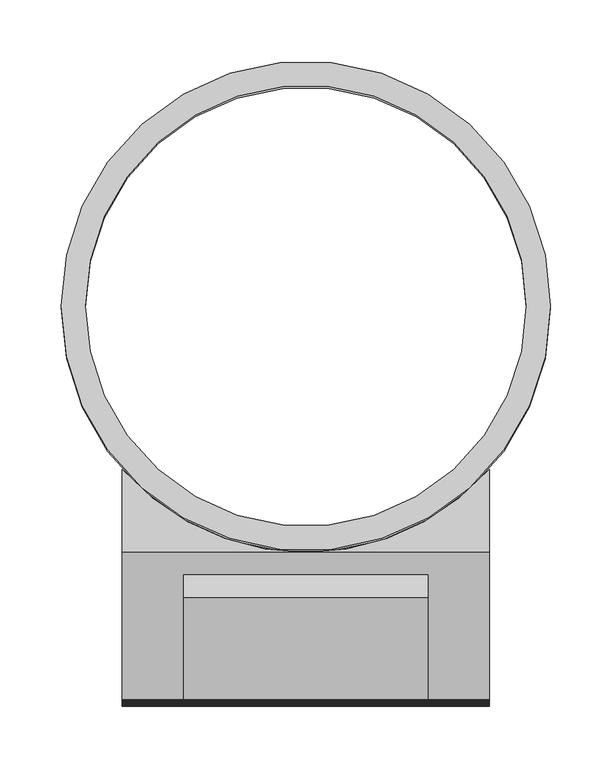
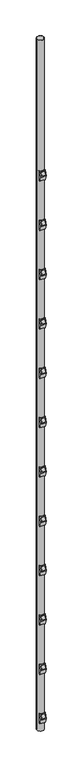
"""IFC4 building model written with IfcOpenShell, lengths in millimetres: proxy geometry."""

from ifc_helpers import new_model, si_unit, point, frame, origin, origin_with_axes, origin_2d, place, context, project, spatial, polyline, circle_curve, trimmed, segment, composite_curve, outline, extrude, source, transform, mapped, element, save
from ifc_brep_helpers import plane_surface, revolved_surface, advanced_brep


def generic_models_42e828d2(model_context):
    return source(origin(), model_context, "Body", "SolidModel", [
        extrude(outline(polyline([(0.0, -200.0), (0.0, 0.0), (20.0, 0.0), (20.0, -200.0), (0.0, -200.0)])), frame((-100.0, -320.0, 30817.1915048), z_axis=(0.0, 0.37139067635410145, 0.9284766908852603), x_axis=(0.0, 0.9284766908852603, -0.37139067635410145)), (0.0, 0.0, 1.0), 223.1098884),
        advanced_brep(
        [(150.0, -200.0, 31063.3398567), (150.0, -320.0, 30763.3398567), (150.0, -200.0, 30463.3398567), (150.0, -132.2875656, 30463.3398567), (150.0, -132.2875656, 31063.3398567), (-150.0, -200.0, 30463.3398567), (-150.0, -320.0, 30763.3398567), (-150.0, -200.0, 31063.3398567), (-150.0, -132.2875656, 31063.3398567), (-150.0, -132.2875656, 30463.3398567), (0.0, -200.0, 31063.3398567), (0.0, -200.0, 30463.3398567)],
        [
            (0, 1),
            (1, 2),
            (2, 3),
            (3, 4),
            (4, 0),
            (5, 6),
            (6, 7),
            (7, 8),
            (8, 9),
            (9, 5),
            (0, 10),
            (10, 7),
            (6, 1),
            (5, 11),
            (11, 2),
            (11, 3, circle_curve(frame((0.0, 0.0, 30463.3398567), z_axis=(0.0, 0.0, 1.0), x_axis=(0.0, -1.0, 0.0)), 200.0)),
            (9, 11, circle_curve(frame((0.0, 0.0, 30463.3398567), z_axis=(0.0, 0.0, 1.0), x_axis=(0.0, -1.0, 0.0)), 200.0)),
            (4, 10, circle_curve(frame((0.0, 0.0, 31063.3398567), z_axis=(0.0, 0.0, -1.0), x_axis=(0.0, -1.0, 0.0)), 200.0)),
            (10, 8, circle_curve(frame((0.0, 0.0, 31063.3398567), z_axis=(0.0, 0.0, -1.0), x_axis=(0.0, -1.0, 0.0)), 200.0)),
        ],
        [
            plane_surface(frame((150.0, -320.0, 30763.3398567), z_axis=(1.0, 0.0, 0.0), x_axis=(0.0, -0.3713906763541027, -0.9284766908852597))),
            plane_surface(frame((-150.0, -320.0, 30763.3398567), z_axis=(-1.0, 0.0, 0.0), x_axis=(0.0, 0.3713906763541027, 0.9284766908852597))),
            plane_surface(frame((150.0, -200.0, 31063.3398567), z_axis=(0.0, -0.9284766908852597, 0.3713906763541027), x_axis=(-1.0, 0.0, 0.0))),
            plane_surface(frame((150.0, -320.0, 30763.3398567), z_axis=(0.0, -0.9284766908852592, -0.3713906763541045), x_axis=(-1.0, 0.0, 0.0))),
            plane_surface(frame((150.0, -200.0, 30463.3398567), z_axis=(0.0, 0.0, -1.0), x_axis=(-1.0, 0.0, 0.0))),
            plane_surface(frame((150.0, 0.0, 31063.3398567), z_axis=(0.0, 0.0, 1.0), x_axis=(-1.0, 0.0, 0.0))),
            revolved_surface(polyline([(0.0, -200.0, 30463.3398567), (0.0, -200.0, 31063.3398567)]), (0.0, 0.0, 31063.3398567), (0.0, 0.0, -1.0)),
        ],
        [
            (0, [[1, 2, 3, 4, 5]]),
            (1, [[6, 7, 8, 9, 10]]),
            (2, [[-1, 11, 12, -7, 13]]),
            (3, [[-2, -13, -6, 14, 15]]),
            (4, [[-3, -15, 16]]),
            (4, [[-10, 17, -14]]),
            (5, [[-5, 18, -11]]),
            (5, [[-8, -12, 19]]),
            (6, [[-4, -16, -17, -9, -19, -18]]),
        ],
    ),
        extrude(outline(polyline([(0.0, -200.0), (0.0, 0.0), (20.0, 0.0), (20.0, -200.0), (0.0, -200.0)])), frame((-100.0, -320.0, 27817.1915048), z_axis=(0.0, 0.37139067635410145, 0.9284766908852603), x_axis=(0.0, 0.9284766908852603, -0.37139067635410145)), (0.0, 0.0, 1.0), 223.1098884),
        advanced_brep(
        [(150.0, -200.0, 28063.3398567), (150.0, -320.0, 27763.3398567), (150.0, -200.0, 27463.3398567), (150.0, -132.2875656, 27463.3398567), (150.0, -132.2875656, 28063.3398567), (-150.0, -200.0, 27463.3398567), (-150.0, -320.0, 27763.3398567), (-150.0, -200.0, 28063.3398567), (-150.0, -132.2875656, 28063.3398567), (-150.0, -132.2875656, 27463.3398567), (0.0, -200.0, 28063.3398567), (0.0, -200.0, 27463.3398567)],
        [
            (0, 1),
            (1, 2),
            (2, 3),
            (3, 4),
            (4, 0),
            (5, 6),
            (6, 7),
            (7, 8),
            (8, 9),
            (9, 5),
            (0, 10),
            (10, 7),
            (6, 1),
            (5, 11),
            (11, 2),
            (11, 3, circle_curve(frame((0.0, 0.0, 27463.3398567), z_axis=(0.0, 0.0, 1.0), x_axis=(0.0, -1.0, 0.0)), 200.0)),
            (9, 11, circle_curve(frame((0.0, 0.0, 27463.3398567), z_axis=(0.0, 0.0, 1.0), x_axis=(0.0, -1.0, 0.0)), 200.0)),
            (4, 10, circle_curve(frame((0.0, 0.0, 28063.3398567), z_axis=(0.0, 0.0, -1.0), x_axis=(0.0, -1.0, 0.0)), 200.0)),
            (10, 8, circle_curve(frame((0.0, 0.0, 28063.3398567), z_axis=(0.0, 0.0, -1.0), x_axis=(0.0, -1.0, 0.0)), 200.0)),
        ],
        [
            plane_surface(frame((150.0, -320.0, 27763.3398567), z_axis=(1.0, 0.0, 0.0), x_axis=(0.0, -0.3713906763541027, -0.9284766908852597))),
            plane_surface(frame((-150.0, -320.0, 27763.3398567), z_axis=(-1.0, 0.0, 0.0), x_axis=(0.0, 0.3713906763541027, 0.9284766908852597))),
            plane_surface(frame((150.0, -200.0, 28063.3398567), z_axis=(0.0, -0.9284766908852597, 0.3713906763541027), x_axis=(-1.0, 0.0, 0.0))),
            plane_surface(frame((150.0, -320.0, 27763.3398567), z_axis=(0.0, -0.9284766908852592, -0.3713906763541045), x_axis=(-1.0, 0.0, 0.0))),
            plane_surface(frame((150.0, -200.0, 27463.3398567), z_axis=(0.0, 0.0, -1.0), x_axis=(-1.0, 0.0, 0.0))),
            plane_surface(frame((150.0, 0.0, 28063.3398567), z_axis=(0.0, 0.0, 1.0), x_axis=(-1.0, 0.0, 0.0))),
            revolved_surface(polyline([(0.0, -200.0, 27463.3398567), (0.0, -200.0, 28063.3398567)]), (0.0, 0.0, 28063.3398567), (0.0, 0.0, -1.0)),
        ],
        [
            (0, [[1, 2, 3, 4, 5]]),
            (1, [[6, 7, 8, 9, 10]]),
            (2, [[-1, 11, 12, -7, 13]]),
            (3, [[-2, -13, -6, 14, 15]]),
            (4, [[-3, -15, 16]]),
            (4, [[-10, 17, -14]]),
            (5, [[-5, 18, -11]]),
            (5, [[-8, -12, 19]]),
            (6, [[-4, -16, -17, -9, -19, -18]]),
        ],
    ),
        extrude(outline(polyline([(0.0, -200.0), (0.0, 0.0), (20.0, 0.0), (20.0, -200.0), (0.0, -200.0)])), frame((-100.0, -320.0, 24817.1915048), z_axis=(0.0, 0.37139067635410145, 0.9284766908852603), x_axis=(0.0, 0.9284766908852603, -0.37139067635410145)), (0.0, 0.0, 1.0), 223.1098884),
        advanced_brep(
        [(150.0, -200.0, 25063.3398567), (150.0, -320.0, 24763.3398567), (150.0, -200.0, 24463.3398567), (150.0, -132.2875656, 24463.3398567), (150.0, -132.2875656, 25063.3398567), (-150.0, -200.0, 24463.3398567), (-150.0, -320.0, 24763.3398567), (-150.0, -200.0, 25063.3398567), (-150.0, -132.2875656, 25063.3398567), (-150.0, -132.2875656, 24463.3398567), (0.0, -200.0, 25063.3398567), (0.0, -200.0, 24463.3398567)],
        [
            (0, 1),
            (1, 2),
            (2, 3),
            (3, 4),
            (4, 0),
            (5, 6),
            (6, 7),
            (7, 8),
            (8, 9),
            (9, 5),
            (0, 10),
            (10, 7),
            (6, 1),
            (5, 11),
            (11, 2),
            (11, 3, circle_curve(frame((0.0, 0.0, 24463.3398567), z_axis=(0.0, 0.0, 1.0), x_axis=(0.0, -1.0, 0.0)), 200.0)),
            (9, 11, circle_curve(frame((0.0, 0.0, 24463.3398567), z_axis=(0.0, 0.0, 1.0), x_axis=(0.0, -1.0, 0.0)), 200.0)),
            (4, 10, circle_curve(frame((0.0, 0.0, 25063.3398567), z_axis=(0.0, 0.0, -1.0), x_axis=(0.0, -1.0, 0.0)), 200.0)),
            (10, 8, circle_curve(frame((0.0, 0.0, 25063.3398567), z_axis=(0.0, 0.0, -1.0), x_axis=(0.0, -1.0, 0.0)), 200.0)),
        ],
        [
            plane_surface(frame((150.0, -320.0, 24763.3398567), z_axis=(1.0, 0.0, 0.0), x_axis=(0.0, -0.3713906763541027, -0.9284766908852597))),
            plane_surface(frame((-150.0, -320.0, 24763.3398567), z_axis=(-1.0, 0.0, 0.0), x_axis=(0.0, 0.3713906763541027, 0.9284766908852597))),
            plane_surface(frame((150.0, -200.0, 25063.3398567), z_axis=(0.0, -0.9284766908852597, 0.3713906763541027), x_axis=(-1.0, 0.0, 0.0))),
            plane_surface(frame((150.0, -320.0, 24763.3398567), z_axis=(0.0, -0.9284766908852592, -0.3713906763541045), x_axis=(-1.0, 0.0, 0.0))),
            plane_surface(frame((150.0, -200.0, 24463.3398567), z_axis=(0.0, 0.0, -1.0), x_axis=(-1.0, 0.0, 0.0))),
            plane_surface(frame((150.0, 0.0, 25063.3398567), z_axis=(0.0, 0.0, 1.0), x_axis=(-1.0, 0.0, 0.0))),
            revolved_surface(polyline([(0.0, -200.0, 24463.3398567), (0.0, -200.0, 25063.3398567)]), (0.0, 0.0, 25063.3398567), (0.0, 0.0, -1.0)),
        ],
        [
            (0, [[1, 2, 3, 4, 5]]),
            (1, [[6, 7, 8, 9, 10]]),
            (2, [[-1, 11, 12, -7, 13]]),
            (3, [[-2, -13, -6, 14, 15]]),
            (4, [[-3, -15, 16]]),
            (4, [[-10, 17, -14]]),
            (5, [[-5, 18, -11]]),
            (5, [[-8, -12, 19]]),
            (6, [[-4, -16, -17, -9, -19, -18]]),
        ],
    ),
        extrude(outline(polyline([(0.0, -200.0), (0.0, 0.0), (20.0, 0.0), (20.0, -200.0), (0.0, -200.0)])), frame((-100.0, -320.0, 21817.1915048), z_axis=(0.0, 0.37139067635410145, 0.9284766908852603), x_axis=(0.0, 0.9284766908852603, -0.37139067635410145)), (0.0, 0.0, 1.0), 223.1098884),
        advanced_brep(
        [(150.0, -200.0, 22063.3398567), (150.0, -320.0, 21763.3398567), (150.0, -200.0, 21463.3398567), (150.0, -132.2875656, 21463.3398567), (150.0, -132.2875656, 22063.3398567), (-150.0, -200.0, 21463.3398567), (-150.0, -320.0, 21763.3398567), (-150.0, -200.0, 22063.3398567), (-150.0, -132.2875656, 22063.3398567), (-150.0, -132.2875656, 21463.3398567), (0.0, -200.0, 22063.3398567), (0.0, -200.0, 21463.3398567)],
        [
            (0, 1),
            (1, 2),
            (2, 3),
            (3, 4),
            (4, 0),
            (5, 6),
            (6, 7),
            (7, 8),
            (8, 9),
            (9, 5),
            (0, 10),
            (10, 7),
            (6, 1),
            (5, 11),
            (11, 2),
            (11, 3, circle_curve(frame((0.0, 0.0, 21463.3398567), z_axis=(0.0, 0.0, 1.0), x_axis=(0.0, -1.0, 0.0)), 200.0)),
            (9, 11, circle_curve(frame((0.0, 0.0, 21463.3398567), z_axis=(0.0, 0.0, 1.0), x_axis=(0.0, -1.0, 0.0)), 200.0)),
            (4, 10, circle_curve(frame((0.0, 0.0, 22063.3398567), z_axis=(0.0, 0.0, -1.0), x_axis=(0.0, -1.0, 0.0)), 200.0)),
            (10, 8, circle_curve(frame((0.0, 0.0, 22063.3398567), z_axis=(0.0, 0.0, -1.0), x_axis=(0.0, -1.0, 0.0)), 200.0)),
        ],
        [
            plane_surface(frame((150.0, -320.0, 21763.3398567), z_axis=(1.0, 0.0, 0.0), x_axis=(0.0, -0.3713906763541027, -0.9284766908852597))),
            plane_surface(frame((-150.0, -320.0, 21763.3398567), z_axis=(-1.0, 0.0, 0.0), x_axis=(0.0, 0.3713906763541027, 0.9284766908852597))),
            plane_surface(frame((150.0, -200.0, 22063.3398567), z_axis=(0.0, -0.9284766908852597, 0.3713906763541027), x_axis=(-1.0, 0.0, 0.0))),
            plane_surface(frame((150.0, -320.0, 21763.3398567), z_axis=(0.0, -0.9284766908852592, -0.3713906763541045), x_axis=(-1.0, 0.0, 0.0))),
            plane_surface(frame((150.0, -200.0, 21463.3398567), z_axis=(0.0, 0.0, -1.0), x_axis=(-1.0, 0.0, 0.0))),
            plane_surface(frame((150.0, 0.0, 22063.3398567), z_axis=(0.0, 0.0, 1.0), x_axis=(-1.0, 0.0, 0.0))),
            revolved_surface(polyline([(0.0, -200.0, 21463.3398567), (0.0, -200.0, 22063.3398567)]), (0.0, 0.0, 22063.3398567), (0.0, 0.0, -1.0)),
        ],
        [
            (0, [[1, 2, 3, 4, 5]]),
            (1, [[6, 7, 8, 9, 10]]),
            (2, [[-1, 11, 12, -7, 13]]),
            (3, [[-2, -13, -6, 14, 15]]),
            (4, [[-3, -15, 16]]),
            (4, [[-10, 17, -14]]),
            (5, [[-5, 18, -11]]),
            (5, [[-8, -12, 19]]),
            (6, [[-4, -16, -17, -9, -19, -18]]),
        ],
    ),
        extrude(outline(polyline([(0.0, -200.0), (0.0, 0.0), (20.0, 0.0), (20.0, -200.0), (0.0, -200.0)])), frame((-100.0, -320.0, 18817.1915048), z_axis=(0.0, 0.37139067635410145, 0.9284766908852603), x_axis=(0.0, 0.9284766908852603, -0.37139067635410145)), (0.0, 0.0, 1.0), 223.1098884),
        advanced_brep(
        [(150.0, -200.0, 19063.3398567), (150.0, -320.0, 18763.3398567), (150.0, -200.0, 18463.3398567), (150.0, -132.2875656, 18463.3398567), (150.0, -132.2875656, 19063.3398567), (-150.0, -200.0, 18463.3398567), (-150.0, -320.0, 18763.3398567), (-150.0, -200.0, 19063.3398567), (-150.0, -132.2875656, 19063.3398567), (-150.0, -132.2875656, 18463.3398567), (0.0, -200.0, 19063.3398567), (0.0, -200.0, 18463.3398567)],
        [
            (0, 1),
            (1, 2),
            (2, 3),
            (3, 4),
            (4, 0),
            (5, 6),
            (6, 7),
            (7, 8),
            (8, 9),
            (9, 5),
            (0, 10),
            (10, 7),
            (6, 1),
            (5, 11),
            (11, 2),
            (11, 3, circle_curve(frame((0.0, 0.0, 18463.3398567), z_axis=(0.0, 0.0, 1.0), x_axis=(0.0, -1.0, 0.0)), 200.0)),
            (9, 11, circle_curve(frame((0.0, 0.0, 18463.3398567), z_axis=(0.0, 0.0, 1.0), x_axis=(0.0, -1.0, 0.0)), 200.0)),
            (4, 10, circle_curve(frame((0.0, 0.0, 19063.3398567), z_axis=(0.0, 0.0, -1.0), x_axis=(0.0, -1.0, 0.0)), 200.0)),
            (10, 8, circle_curve(frame((0.0, 0.0, 19063.3398567), z_axis=(0.0, 0.0, -1.0), x_axis=(0.0, -1.0, 0.0)), 200.0)),
        ],
        [
            plane_surface(frame((150.0, -320.0, 18763.3398567), z_axis=(1.0, 0.0, 0.0), x_axis=(0.0, -0.3713906763541027, -0.9284766908852597))),
            plane_surface(frame((-150.0, -320.0, 18763.3398567), z_axis=(-1.0, 0.0, 0.0), x_axis=(0.0, 0.3713906763541027, 0.9284766908852597))),
            plane_surface(frame((150.0, -200.0, 19063.3398567), z_axis=(0.0, -0.9284766908852597, 0.3713906763541027), x_axis=(-1.0, 0.0, 0.0))),
            plane_surface(frame((150.0, -320.0, 18763.3398567), z_axis=(0.0, -0.9284766908852592, -0.3713906763541045), x_axis=(-1.0, 0.0, 0.0))),
            plane_surface(frame((150.0, -200.0, 18463.3398567), z_axis=(0.0, 0.0, -1.0), x_axis=(-1.0, 0.0, 0.0))),
            plane_surface(frame((150.0, 0.0, 19063.3398567), z_axis=(0.0, 0.0, 1.0), x_axis=(-1.0, 0.0, 0.0))),
            revolved_surface(polyline([(0.0, -200.0, 18463.3398567), (0.0, -200.0, 19063.3398567)]), (0.0, 0.0, 19063.3398567), (0.0, 0.0, -1.0)),
        ],
        [
            (0, [[1, 2, 3, 4, 5]]),
            (1, [[6, 7, 8, 9, 10]]),
            (2, [[-1, 11, 12, -7, 13]]),
            (3, [[-2, -13, -6, 14, 15]]),
            (4, [[-3, -15, 16]]),
            (4, [[-10, 17, -14]]),
            (5, [[-5, 18, -11]]),
            (5, [[-8, -12, 19]]),
            (6, [[-4, -16, -17, -9, -19, -18]]),
        ],
    ),
        extrude(outline(polyline([(0.0, -200.0), (0.0, 0.0), (20.0, 0.0), (20.0, -200.0), (0.0, -200.0)])), frame((-100.0, -320.0, 15817.1915048), z_axis=(0.0, 0.37139067635410145, 0.9284766908852603), x_axis=(0.0, 0.9284766908852603, -0.37139067635410145)), (0.0, 0.0, 1.0), 223.1098884),
        advanced_brep(
        [(150.0, -200.0, 16063.3398567), (150.0, -320.0, 15763.3398567), (150.0, -200.0, 15463.3398567), (150.0, -132.2875656, 15463.3398567), (150.0, -132.2875656, 16063.3398567), (-150.0, -200.0, 15463.3398567), (-150.0, -320.0, 15763.3398567), (-150.0, -200.0, 16063.3398567), (-150.0, -132.2875656, 16063.3398567), (-150.0, -132.2875656, 15463.3398567), (0.0, -200.0, 16063.3398567), (0.0, -200.0, 15463.3398567)],
        [
            (0, 1),
            (1, 2),
            (2, 3),
            (3, 4),
            (4, 0),
            (5, 6),
            (6, 7),
            (7, 8),
            (8, 9),
            (9, 5),
            (0, 10),
            (10, 7),
            (6, 1),
            (5, 11),
            (11, 2),
            (11, 3, circle_curve(frame((0.0, 0.0, 15463.3398567), z_axis=(0.0, 0.0, 1.0), x_axis=(0.0, -1.0, 0.0)), 200.0)),
            (9, 11, circle_curve(frame((0.0, 0.0, 15463.3398567), z_axis=(0.0, 0.0, 1.0), x_axis=(0.0, -1.0, 0.0)), 200.0)),
            (4, 10, circle_curve(frame((0.0, 0.0, 16063.3398567), z_axis=(0.0, 0.0, -1.0), x_axis=(0.0, -1.0, 0.0)), 200.0)),
            (10, 8, circle_curve(frame((0.0, 0.0, 16063.3398567), z_axis=(0.0, 0.0, -1.0), x_axis=(0.0, -1.0, 0.0)), 200.0)),
        ],
        [
            plane_surface(frame((150.0, -320.0, 15763.3398567), z_axis=(1.0, 0.0, 0.0), x_axis=(0.0, -0.3713906763541027, -0.9284766908852597))),
            plane_surface(frame((-150.0, -320.0, 15763.3398567), z_axis=(-1.0, 0.0, 0.0), x_axis=(0.0, 0.3713906763541027, 0.9284766908852597))),
            plane_surface(frame((150.0, -200.0, 16063.3398567), z_axis=(0.0, -0.9284766908852597, 0.3713906763541027), x_axis=(-1.0, 0.0, 0.0))),
            plane_surface(frame((150.0, -320.0, 15763.3398567), z_axis=(0.0, -0.9284766908852592, -0.3713906763541045), x_axis=(-1.0, 0.0, 0.0))),
            plane_surface(frame((150.0, -200.0, 15463.3398567), z_axis=(0.0, 0.0, -1.0), x_axis=(-1.0, 0.0, 0.0))),
            plane_surface(frame((150.0, 0.0, 16063.3398567), z_axis=(0.0, 0.0, 1.0), x_axis=(-1.0, 0.0, 0.0))),
            revolved_surface(polyline([(0.0, -200.0, 15463.3398567), (0.0, -200.0, 16063.3398567)]), (0.0, 0.0, 16063.3398567), (0.0, 0.0, -1.0)),
        ],
        [
            (0, [[1, 2, 3, 4, 5]]),
            (1, [[6, 7, 8, 9, 10]]),
            (2, [[-1, 11, 12, -7, 13]]),
            (3, [[-2, -13, -6, 14, 15]]),
            (4, [[-3, -15, 16]]),
            (4, [[-10, 17, -14]]),
            (5, [[-5, 18, -11]]),
            (5, [[-8, -12, 19]]),
            (6, [[-4, -16, -17, -9, -19, -18]]),
        ],
    ),
        extrude(outline(polyline([(0.0, -200.0), (0.0, 0.0), (20.0, 0.0), (20.0, -200.0), (0.0, -200.0)])), frame((-100.0, -320.0, 12817.1915048), z_axis=(0.0, 0.37139067635410145, 0.9284766908852603), x_axis=(0.0, 0.9284766908852603, -0.37139067635410145)), (0.0, 0.0, 1.0), 223.1098884),
        advanced_brep(
        [(150.0, -200.0, 13063.3398567), (150.0, -320.0, 12763.3398567), (150.0, -200.0, 12463.3398567), (150.0, -132.2875656, 12463.3398567), (150.0, -132.2875656, 13063.3398567), (-150.0, -200.0, 12463.3398567), (-150.0, -320.0, 12763.3398567), (-150.0, -200.0, 13063.3398567), (-150.0, -132.2875656, 13063.3398567), (-150.0, -132.2875656, 12463.3398567), (0.0, -200.0, 13063.3398567), (0.0, -200.0, 12463.3398567)],
        [
            (0, 1),
            (1, 2),
            (2, 3),
            (3, 4),
            (4, 0),
            (5, 6),
            (6, 7),
            (7, 8),
            (8, 9),
            (9, 5),
            (0, 10),
            (10, 7),
            (6, 1),
            (5, 11),
            (11, 2),
            (11, 3, circle_curve(frame((0.0, 0.0, 12463.3398567), z_axis=(0.0, 0.0, 1.0), x_axis=(0.0, -1.0, 0.0)), 200.0)),
            (9, 11, circle_curve(frame((0.0, 0.0, 12463.3398567), z_axis=(0.0, 0.0, 1.0), x_axis=(0.0, -1.0, 0.0)), 200.0)),
            (4, 10, circle_curve(frame((0.0, 0.0, 13063.3398567), z_axis=(0.0, 0.0, -1.0), x_axis=(0.0, -1.0, 0.0)), 200.0)),
            (10, 8, circle_curve(frame((0.0, 0.0, 13063.3398567), z_axis=(0.0, 0.0, -1.0), x_axis=(0.0, -1.0, 0.0)), 200.0)),
        ],
        [
            plane_surface(frame((150.0, -320.0, 12763.3398567), z_axis=(1.0, 0.0, 0.0), x_axis=(0.0, -0.3713906763541027, -0.9284766908852597))),
            plane_surface(frame((-150.0, -320.0, 12763.3398567), z_axis=(-1.0, 0.0, 0.0), x_axis=(0.0, 0.3713906763541027, 0.9284766908852597))),
            plane_surface(frame((150.0, -200.0, 13063.3398567), z_axis=(0.0, -0.9284766908852597, 0.3713906763541027), x_axis=(-1.0, 0.0, 0.0))),
            plane_surface(frame((150.0, -320.0, 12763.3398567), z_axis=(0.0, -0.9284766908852592, -0.3713906763541045), x_axis=(-1.0, 0.0, 0.0))),
            plane_surface(frame((150.0, -200.0, 12463.3398567), z_axis=(0.0, 0.0, -1.0), x_axis=(-1.0, 0.0, 0.0))),
            plane_surface(frame((150.0, 0.0, 13063.3398567), z_axis=(0.0, 0.0, 1.0), x_axis=(-1.0, 0.0, 0.0))),
            revolved_surface(polyline([(0.0, -200.0, 12463.3398567), (0.0, -200.0, 13063.3398567)]), (0.0, 0.0, 13063.3398567), (0.0, 0.0, -1.0)),
        ],
        [
            (0, [[1, 2, 3, 4, 5]]),
            (1, [[6, 7, 8, 9, 10]]),
            (2, [[-1, 11, 12, -7, 13]]),
            (3, [[-2, -13, -6, 14, 15]]),
            (4, [[-3, -15, 16]]),
            (4, [[-10, 17, -14]]),
            (5, [[-5, 18, -11]]),
            (5, [[-8, -12, 19]]),
            (6, [[-4, -16, -17, -9, -19, -18]]),
        ],
    ),
        extrude(outline(polyline([(0.0, -200.0), (0.0, 0.0), (20.0, 0.0), (20.0, -200.0), (0.0, -200.0)])), frame((-100.0, -320.0, 9817.1915048), z_axis=(0.0, 0.37139067635410145, 0.9284766908852603), x_axis=(0.0, 0.9284766908852603, -0.37139067635410145)), (0.0, 0.0, 1.0), 223.1098884),
        advanced_brep(
        [(150.0, -200.0, 10063.3398567), (150.0, -320.0, 9763.3398567), (150.0, -200.0, 9463.3398567), (150.0, -132.2875656, 9463.3398567), (150.0, -132.2875656, 10063.3398567), (-150.0, -200.0, 9463.3398567), (-150.0, -320.0, 9763.3398567), (-150.0, -200.0, 10063.3398567), (-150.0, -132.2875656, 10063.3398567), (-150.0, -132.2875656, 9463.3398567), (0.0, -200.0, 10063.3398567), (0.0, -200.0, 9463.3398567)],
        [
            (0, 1),
            (1, 2),
            (2, 3),
            (3, 4),
            (4, 0),
            (5, 6),
            (6, 7),
            (7, 8),
            (8, 9),
            (9, 5),
            (0, 10),
            (10, 7),
            (6, 1),
            (5, 11),
            (11, 2),
            (11, 3, circle_curve(frame((0.0, 0.0, 9463.3398567), z_axis=(0.0, 0.0, 1.0), x_axis=(0.0, -1.0, 0.0)), 200.0)),
            (9, 11, circle_curve(frame((0.0, 0.0, 9463.3398567), z_axis=(0.0, 0.0, 1.0), x_axis=(0.0, -1.0, 0.0)), 200.0)),
            (4, 10, circle_curve(frame((0.0, 0.0, 10063.3398567), z_axis=(0.0, 0.0, -1.0), x_axis=(0.0, -1.0, 0.0)), 200.0)),
            (10, 8, circle_curve(frame((0.0, 0.0, 10063.3398567), z_axis=(0.0, 0.0, -1.0), x_axis=(0.0, -1.0, 0.0)), 200.0)),
        ],
        [
            plane_surface(frame((150.0, -320.0, 9763.3398567), z_axis=(1.0, 0.0, 0.0), x_axis=(0.0, -0.3713906763541027, -0.9284766908852597))),
            plane_surface(frame((-150.0, -320.0, 9763.3398567), z_axis=(-1.0, 0.0, 0.0), x_axis=(0.0, 0.3713906763541027, 0.9284766908852597))),
            plane_surface(frame((150.0, -200.0, 10063.3398567), z_axis=(0.0, -0.9284766908852597, 0.3713906763541027), x_axis=(-1.0, 0.0, 0.0))),
            plane_surface(frame((150.0, -320.0, 9763.3398567), z_axis=(0.0, -0.9284766908852592, -0.3713906763541045), x_axis=(-1.0, 0.0, 0.0))),
            plane_surface(frame((150.0, -200.0, 9463.3398567), z_axis=(0.0, 0.0, -1.0), x_axis=(-1.0, 0.0, 0.0))),
            plane_surface(frame((150.0, 0.0, 10063.3398567), z_axis=(0.0, 0.0, 1.0), x_axis=(-1.0, 0.0, 0.0))),
            revolved_surface(polyline([(0.0, -200.0, 9463.3398567), (0.0, -200.0, 10063.3398567)]), (0.0, 0.0, 10063.3398567), (0.0, 0.0, -1.0)),
        ],
        [
            (0, [[1, 2, 3, 4, 5]]),
            (1, [[6, 7, 8, 9, 10]]),
            (2, [[-1, 11, 12, -7, 13]]),
            (3, [[-2, -13, -6, 14, 15]]),
            (4, [[-3, -15, 16]]),
            (4, [[-10, 17, -14]]),
            (5, [[-5, 18, -11]]),
            (5, [[-8, -12, 19]]),
            (6, [[-4, -16, -17, -9, -19, -18]]),
        ],
    ),
        extrude(outline(polyline([(0.0, -200.0), (0.0, 0.0), (20.0, 0.0), (20.0, -200.0), (0.0, -200.0)])), frame((-100.0, -320.0, 6817.1915048), z_axis=(0.0, 0.37139067635410145, 0.9284766908852603), x_axis=(0.0, 0.9284766908852603, -0.37139067635410145)), (0.0, 0.0, 1.0), 223.1098884),
        advanced_brep(
        [(150.0, -200.0, 7063.3398567), (150.0, -320.0, 6763.3398567), (150.0, -200.0, 6463.3398567), (150.0, -132.2875656, 6463.3398567), (150.0, -132.2875656, 7063.3398567), (-150.0, -200.0, 6463.3398567), (-150.0, -320.0, 6763.3398567), (-150.0, -200.0, 7063.3398567), (-150.0, -132.2875656, 7063.3398567), (-150.0, -132.2875656, 6463.3398567), (0.0, -200.0, 7063.3398567), (0.0, -200.0, 6463.3398567)],
        [
            (0, 1),
            (1, 2),
            (2, 3),
            (3, 4),
            (4, 0),
            (5, 6),
            (6, 7),
            (7, 8),
            (8, 9),
            (9, 5),
            (0, 10),
            (10, 7),
            (6, 1),
            (5, 11),
            (11, 2),
            (11, 3, circle_curve(frame((0.0, 0.0, 6463.3398567), z_axis=(0.0, 0.0, 1.0), x_axis=(0.0, -1.0, 0.0)), 200.0)),
            (9, 11, circle_curve(frame((0.0, 0.0, 6463.3398567), z_axis=(0.0, 0.0, 1.0), x_axis=(0.0, -1.0, 0.0)), 200.0)),
            (4, 10, circle_curve(frame((0.0, 0.0, 7063.3398567), z_axis=(0.0, 0.0, -1.0), x_axis=(0.0, -1.0, 0.0)), 200.0)),
            (10, 8, circle_curve(frame((0.0, 0.0, 7063.3398567), z_axis=(0.0, 0.0, -1.0), x_axis=(0.0, -1.0, 0.0)), 200.0)),
        ],
        [
            plane_surface(frame((150.0, -320.0, 6763.3398567), z_axis=(1.0, 0.0, 0.0), x_axis=(0.0, -0.3713906763541027, -0.9284766908852597))),
            plane_surface(frame((-150.0, -320.0, 6763.3398567), z_axis=(-1.0, 0.0, 0.0), x_axis=(0.0, 0.3713906763541027, 0.9284766908852597))),
            plane_surface(frame((150.0, -200.0, 7063.3398567), z_axis=(0.0, -0.9284766908852597, 0.3713906763541027), x_axis=(-1.0, 0.0, 0.0))),
            plane_surface(frame((150.0, -320.0, 6763.3398567), z_axis=(0.0, -0.9284766908852592, -0.3713906763541045), x_axis=(-1.0, 0.0, 0.0))),
            plane_surface(frame((150.0, -200.0, 6463.3398567), z_axis=(0.0, 0.0, -1.0), x_axis=(-1.0, 0.0, 0.0))),
            plane_surface(frame((150.0, 0.0, 7063.3398567), z_axis=(0.0, 0.0, 1.0), x_axis=(-1.0, 0.0, 0.0))),
            revolved_surface(polyline([(0.0, -200.0, 6463.3398567), (0.0, -200.0, 7063.3398567)]), (0.0, 0.0, 7063.3398567), (0.0, 0.0, -1.0)),
        ],
        [
            (0, [[1, 2, 3, 4, 5]]),
            (1, [[6, 7, 8, 9, 10]]),
            (2, [[-1, 11, 12, -7, 13]]),
            (3, [[-2, -13, -6, 14, 15]]),
            (4, [[-3, -15, 16]]),
            (4, [[-10, 17, -14]]),
            (5, [[-5, 18, -11]]),
            (5, [[-8, -12, 19]]),
            (6, [[-4, -16, -17, -9, -19, -18]]),
        ],
    ),
        extrude(outline(polyline([(0.0, -200.0), (0.0, 0.0), (20.0, 0.0), (20.0, -200.0), (0.0, -200.0)])), frame((-100.0, -320.0, 3817.1915048), z_axis=(0.0, 0.37139067635410145, 0.9284766908852603), x_axis=(0.0, 0.9284766908852603, -0.37139067635410145)), (0.0, 0.0, 1.0), 223.1098884),
        advanced_brep(
        [(150.0, -200.0, 4063.3398567), (150.0, -320.0, 3763.3398567), (150.0, -200.0, 3463.3398567), (150.0, -132.2875656, 3463.3398567), (150.0, -132.2875656, 4063.3398567), (-150.0, -200.0, 3463.3398567), (-150.0, -320.0, 3763.3398567), (-150.0, -200.0, 4063.3398567), (-150.0, -132.2875656, 4063.3398567), (-150.0, -132.2875656, 3463.3398567), (0.0, -200.0, 4063.3398567), (0.0, -200.0, 3463.3398567)],
        [
            (0, 1),
            (1, 2),
            (2, 3),
            (3, 4),
            (4, 0),
            (5, 6),
            (6, 7),
            (7, 8),
            (8, 9),
            (9, 5),
            (0, 10),
            (10, 7),
            (6, 1),
            (5, 11),
            (11, 2),
            (11, 3, circle_curve(frame((0.0, 0.0, 3463.3398567), z_axis=(0.0, 0.0, 1.0), x_axis=(0.0, -1.0, 0.0)), 200.0)),
            (9, 11, circle_curve(frame((0.0, 0.0, 3463.3398567), z_axis=(0.0, 0.0, 1.0), x_axis=(0.0, -1.0, 0.0)), 200.0)),
            (4, 10, circle_curve(frame((0.0, 0.0, 4063.3398567), z_axis=(0.0, 0.0, -1.0), x_axis=(0.0, -1.0, 0.0)), 200.0)),
            (10, 8, circle_curve(frame((0.0, 0.0, 4063.3398567), z_axis=(0.0, 0.0, -1.0), x_axis=(0.0, -1.0, 0.0)), 200.0)),
        ],
        [
            plane_surface(frame((150.0, -320.0, 3763.3398567), z_axis=(1.0, 0.0, 0.0), x_axis=(0.0, -0.3713906763541027, -0.9284766908852597))),
            plane_surface(frame((-150.0, -320.0, 3763.3398567), z_axis=(-1.0, 0.0, 0.0), x_axis=(0.0, 0.3713906763541027, 0.9284766908852597))),
            plane_surface(frame((150.0, -200.0, 4063.3398567), z_axis=(0.0, -0.9284766908852597, 0.3713906763541027), x_axis=(-1.0, 0.0, 0.0))),
            plane_surface(frame((150.0, -320.0, 3763.3398567), z_axis=(0.0, -0.9284766908852592, -0.3713906763541045), x_axis=(-1.0, 0.0, 0.0))),
            plane_surface(frame((150.0, -200.0, 3463.3398567), z_axis=(0.0, 0.0, -1.0), x_axis=(-1.0, 0.0, 0.0))),
            plane_surface(frame((150.0, 0.0, 4063.3398567), z_axis=(0.0, 0.0, 1.0), x_axis=(-1.0, 0.0, 0.0))),
            revolved_surface(polyline([(0.0, -200.0, 3463.3398567), (0.0, -200.0, 4063.3398567)]), (0.0, 0.0, 4063.3398567), (0.0, 0.0, -1.0)),
        ],
        [
            (0, [[1, 2, 3, 4, 5]]),
            (1, [[6, 7, 8, 9, 10]]),
            (2, [[-1, 11, 12, -7, 13]]),
            (3, [[-2, -13, -6, 14, 15]]),
            (4, [[-3, -15, 16]]),
            (4, [[-10, 17, -14]]),
            (5, [[-5, 18, -11]]),
            (5, [[-8, -12, 19]]),
            (6, [[-4, -16, -17, -9, -19, -18]]),
        ],
    ),
        extrude(outline(polyline([(0.0, -200.0), (0.0, 0.0), (20.0, 0.0), (20.0, -200.0), (0.0, -200.0)])), frame((-100.0, -320.0, 33817.1915048), z_axis=(0.0, 0.37139067635410145, 0.9284766908852603), x_axis=(0.0, 0.9284766908852603, -0.37139067635410145)), (0.0, 0.0, 1.0), 223.1098884),
        advanced_brep(
        [(150.0, -200.0, 34063.3398567), (150.0, -320.0, 33763.3398567), (150.0, -200.0, 33463.3398567), (150.0, -132.2875656, 33463.3398567), (150.0, -132.2875656, 34063.3398567), (-150.0, -200.0, 33463.3398567), (-150.0, -320.0, 33763.3398567), (-150.0, -200.0, 34063.3398567), (-150.0, -132.2875656, 34063.3398567), (-150.0, -132.2875656, 33463.3398567), (0.0, -200.0, 34063.3398567), (0.0, -200.0, 33463.3398567)],
        [
            (0, 1),
            (1, 2),
            (2, 3),
            (3, 4),
            (4, 0),
            (5, 6),
            (6, 7),
            (7, 8),
            (8, 9),
            (9, 5),
            (0, 10),
            (10, 7),
            (6, 1),
            (5, 11),
            (11, 2),
            (11, 3, circle_curve(frame((0.0, 0.0, 33463.3398567), z_axis=(0.0, 0.0, 1.0), x_axis=(0.0, -1.0, 0.0)), 200.0)),
            (9, 11, circle_curve(frame((0.0, 0.0, 33463.3398567), z_axis=(0.0, 0.0, 1.0), x_axis=(0.0, -1.0, 0.0)), 200.0)),
            (4, 10, circle_curve(frame((0.0, 0.0, 34063.3398567), z_axis=(0.0, 0.0, -1.0), x_axis=(0.0, -1.0, 0.0)), 200.0)),
            (10, 8, circle_curve(frame((0.0, 0.0, 34063.3398567), z_axis=(0.0, 0.0, -1.0), x_axis=(0.0, -1.0, 0.0)), 200.0)),
        ],
        [
            plane_surface(frame((150.0, -320.0, 33763.3398567), z_axis=(1.0, 0.0, 0.0), x_axis=(0.0, -0.3713906763541027, -0.9284766908852597))),
            plane_surface(frame((-150.0, -320.0, 33763.3398567), z_axis=(-1.0, 0.0, 0.0), x_axis=(0.0, 0.3713906763541027, 0.9284766908852597))),
            plane_surface(frame((150.0, -200.0, 34063.3398567), z_axis=(0.0, -0.9284766908852597, 0.3713906763541027), x_axis=(-1.0, 0.0, 0.0))),
            plane_surface(frame((150.0, -320.0, 33763.3398567), z_axis=(0.0, -0.9284766908852592, -0.3713906763541045), x_axis=(-1.0, 0.0, 0.0))),
            plane_surface(frame((150.0, -200.0, 33463.3398567), z_axis=(0.0, 0.0, -1.0), x_axis=(-1.0, 0.0, 0.0))),
            plane_surface(frame((150.0, 0.0, 34063.3398567), z_axis=(0.0, 0.0, 1.0), x_axis=(-1.0, 0.0, 0.0))),
            revolved_surface(polyline([(0.0, -200.0, 33463.3398567), (0.0, -200.0, 34063.3398567)]), (0.0, 0.0, 34063.3398567), (0.0, 0.0, -1.0)),
        ],
        [
            (0, [[1, 2, 3, 4, 5]]),
            (1, [[6, 7, 8, 9, 10]]),
            (2, [[-1, 11, 12, -7, 13]]),
            (3, [[-2, -13, -6, 14, 15]]),
            (4, [[-3, -15, 16]]),
            (4, [[-10, 17, -14]]),
            (5, [[-5, 18, -11]]),
            (5, [[-8, -12, 19]]),
            (6, [[-4, -16, -17, -9, -19, -18]]),
        ],
    ),
        extrude(outline(polyline([(0.0, -200.0), (0.0, 0.0), (20.0, 0.0), (20.0, -200.0), (0.0, -200.0)])), frame((-100.0, -320.0, 817.1915048), z_axis=(0.0, 0.37139067635410145, 0.9284766908852603), x_axis=(0.0, 0.9284766908852603, -0.37139067635410145)), (0.0, 0.0, 1.0), 223.1098884),
        advanced_brep(
        [(150.0, -200.0, 1063.3398567), (150.0, -320.0, 763.3398567), (150.0, -200.0, 463.3398567), (150.0, -132.2875656, 463.3398567), (150.0, -132.2875656, 1063.3398567), (-150.0, -200.0, 463.3398567), (-150.0, -320.0, 763.3398567), (-150.0, -200.0, 1063.3398567), (-150.0, -132.2875656, 1063.3398567), (-150.0, -132.2875656, 463.3398567), (0.0, -200.0, 1063.3398567), (0.0, -200.0, 463.3398567)],
        [
            (0, 1),
            (1, 2),
            (2, 3),
            (3, 4),
            (4, 0),
            (5, 6),
            (6, 7),
            (7, 8),
            (8, 9),
            (9, 5),
            (0, 10),
            (10, 7),
            (6, 1),
            (5, 11),
            (11, 2),
            (11, 3, circle_curve(frame((0.0, 0.0, 463.3398567), z_axis=(0.0, 0.0, 1.0), x_axis=(0.0, -1.0, 0.0)), 200.0)),
            (9, 11, circle_curve(frame((0.0, 0.0, 463.3398567), z_axis=(0.0, 0.0, 1.0), x_axis=(0.0, -1.0, 0.0)), 200.0)),
            (4, 10, circle_curve(frame((0.0, 0.0, 1063.3398567), z_axis=(0.0, 0.0, -1.0), x_axis=(0.0, -1.0, 0.0)), 200.0)),
            (10, 8, circle_curve(frame((0.0, 0.0, 1063.3398567), z_axis=(0.0, 0.0, -1.0), x_axis=(0.0, -1.0, 0.0)), 200.0)),
        ],
        [
            plane_surface(frame((150.0, -320.0, 763.3398567), z_axis=(1.0, 0.0, 0.0), x_axis=(0.0, -0.3713906763541027, -0.9284766908852597))),
            plane_surface(frame((-150.0, -320.0, 763.3398567), z_axis=(-1.0, 0.0, 0.0), x_axis=(0.0, 0.3713906763541027, 0.9284766908852597))),
            plane_surface(frame((150.0, -200.0, 1063.3398567), z_axis=(0.0, -0.9284766908852597, 0.3713906763541027), x_axis=(-1.0, 0.0, 0.0))),
            plane_surface(frame((150.0, -320.0, 763.3398567), z_axis=(0.0, -0.9284766908852592, -0.3713906763541045), x_axis=(-1.0, 0.0, 0.0))),
            plane_surface(frame((150.0, -200.0, 463.3398567), z_axis=(0.0, 0.0, -1.0), x_axis=(-1.0, 0.0, 0.0))),
            plane_surface(frame((150.0, 0.0, 1063.3398567), z_axis=(0.0, 0.0, 1.0), x_axis=(-1.0, 0.0, 0.0))),
            revolved_surface(polyline([(0.0, -200.0, 463.3398566999999), (0.0, -200.0, 1063.3398567)]), (0.0, 0.0, 1063.3398567), (0.0, 0.0, -1.0)),
        ],
        [
            (0, [[1, 2, 3, 4, 5]]),
            (1, [[6, 7, 8, 9, 10]]),
            (2, [[-1, 11, 12, -7, 13]]),
            (3, [[-2, -13, -6, 14, 15]]),
            (4, [[-3, -15, 16]]),
            (4, [[-10, 17, -14]]),
            (5, [[-5, 18, -11]]),
            (5, [[-8, -12, 19]]),
            (6, [[-4, -16, -17, -9, -19, -18]]),
        ],
    ),
        extrude(outline(composite_curve([segment(trimmed(circle_curve(origin_2d(), 200.0), [point((-200.0, 0.0))], [point((200.0, 0.0))], False, "CARTESIAN"), True, "CONTINUOUS"), segment(trimmed(circle_curve(origin_2d(), 200.0), [point((200.0, 0.0))], [point((-200.0, 0.0))], False, "CARTESIAN"), True, "CONTINUOUS")], self_intersect=False), holes=[composite_curve([segment(trimmed(circle_curve(origin_2d(), 180.0), [point((-180.0, 0.0))], [point((180.0, 0.0))], True, "CARTESIAN"), True, "CONTINUOUS"), segment(trimmed(circle_curve(origin_2d(), 180.0), [point((180.0, 0.0))], [point((-180.0, 0.0))], True, "CARTESIAN"), True, "CONTINUOUS")], self_intersect=False)]), origin_with_axes(), (0.0, 0.0, 1.0), 42000.0),
        extrude(outline(composite_curve([segment(trimmed(circle_curve(origin_2d(), 200.0), [point((-200.0, 0.0))], [point((200.0, 0.0))], False, "CARTESIAN"), True, "CONTINUOUS"), segment(trimmed(circle_curve(origin_2d(), 200.0), [point((200.0, 0.0))], [point((-200.0, 0.0))], False, "CARTESIAN"), True, "CONTINUOUS")], self_intersect=False), holes=[composite_curve([segment(trimmed(circle_curve(origin_2d(), 180.0), [point((-180.0, 0.0))], [point((180.0, 0.0))], True, "CARTESIAN"), True, "CONTINUOUS"), segment(trimmed(circle_curve(origin_2d(), 180.0), [point((180.0, 0.0))], [point((-180.0, 0.0))], True, "CARTESIAN"), True, "CONTINUOUS")], self_intersect=False)]), origin_with_axes(), (0.0, 0.0, 1.0), 34063.3398567),
    ])


if __name__ == "__main__":
    model = new_model("IFC4")
    model_context = context("Model", 3, world=origin())
    ifc_project = project(units=[si_unit("LENGTHUNIT", "METRE", prefix="MILLI")], contexts=[model_context])
    site = spatial("IfcSite", under=ifc_project)
    building = spatial("IfcBuilding", under=site)
    placement = place(None, origin())
    generic_models_shape = generic_models_42e828d2(model_context)
    element("IfcBuildingElementProxy", 1, Name="Generic Models", at=placement, inside=building, context=model_context, shape_type="MappedRepresentation", body=[
        mapped(generic_models_shape, transform((0.0, 0.0, 0.0), x_axis=(1.0, 0.0, 0.0), y_axis=(0.0, 1.0, 0.0), z_axis=(0.0, 0.0, 1.0))),
    ])
    save(model, "model.ifc")
